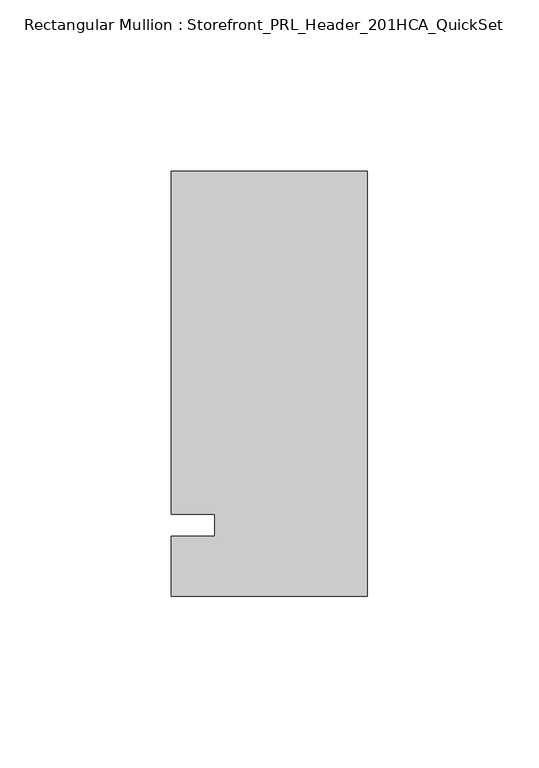
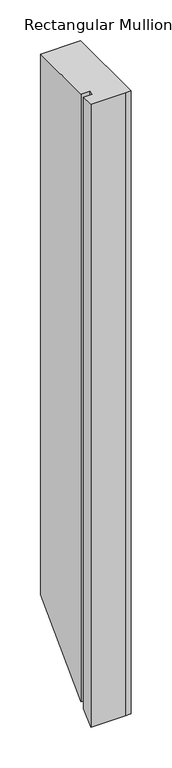
"""IFC4 building model written with IfcOpenShell, lengths in millimetres: member geometry, Rectangular Mullion : Storefront_PRL_Header_201HCA_QuickSet."""

from ifc_helpers import new_model, si_unit, origin, place, context, project, spatial, faceted_brep, source, transform, mapped, element, save


def rectangular_mullion_storefront_prl_header_201hca_quickset_c2a699a4(model_context):
    return source(origin(), model_context, "Body", "Brep", [
        faceted_brep([(-44.45, 3.175, 0.0), (-44.45, -3.175, 0.0), (-57.15, -3.175, 0.0), (-57.15, -20.6375, 0.0), (-7.7254924, -20.6375, 0.0), (0.0, -20.6375, 0.0), (0.0, 103.1875, 0.0), (-6.35, 103.1875, 0.0), (-57.15, 103.1875, 0.0), (-57.15, 3.175, 0.0), (-44.45, 3.175, -911.225), (-44.45, -3.175, -917.575), (-57.15, -3.175, -917.575), (-57.15, -20.6375, -935.0375), (-7.7254924, -20.6375, -935.0375), (0.0, -20.6375, -935.0375), (0.0, 103.1875, -811.2125), (-6.35, 103.1875, -811.2125), (-57.15, 103.1875, -811.2125), (-57.15, 3.175, -911.225)], [[[0, 1, 2, 3, 4, 5, 6, 7, 8, 9]], [[1, 0, 10, 11]], [[2, 1, 11, 12]], [[3, 2, 12, 13]], [[4, 3, 13, 14]], [[5, 4, 14, 15]], [[6, 5, 15, 16]], [[7, 6, 16, 17]], [[8, 7, 17, 18]], [[9, 8, 18, 19]], [[0, 9, 19, 10]], [[10, 19, 18, 17, 16, 15, 14, 13, 12, 11]]]),
    ])


if __name__ == "__main__":
    model = new_model("IFC4")
    model_context = context("Model", 3, world=origin())
    ifc_project = project(units=[si_unit("LENGTHUNIT", "METRE", prefix="MILLI")], contexts=[model_context])
    site = spatial("IfcSite", under=ifc_project)
    building = spatial("IfcBuilding", under=site)
    placement = place(None, origin())
    rectangular_mullion_storefront_prl_header_201hca_quickset_shape = rectangular_mullion_storefront_prl_header_201hca_quickset_c2a699a4(model_context)
    element("IfcMember", 1, ObjectType="Rectangular Mullion : Storefront_PRL_Header_201HCA_QuickSet", at=placement, inside=building, context=model_context, shape_type="MappedRepresentation", body=[
        mapped(rectangular_mullion_storefront_prl_header_201hca_quickset_shape, transform((0.0, 0.0, 0.0), x_axis=(1.0, 0.0, 0.0), y_axis=(0.0, 1.0, 0.0), z_axis=(0.0, 0.0, 1.0))),
    ])
    save(model, "model.ifc")
